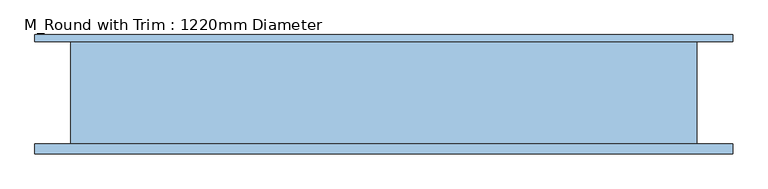
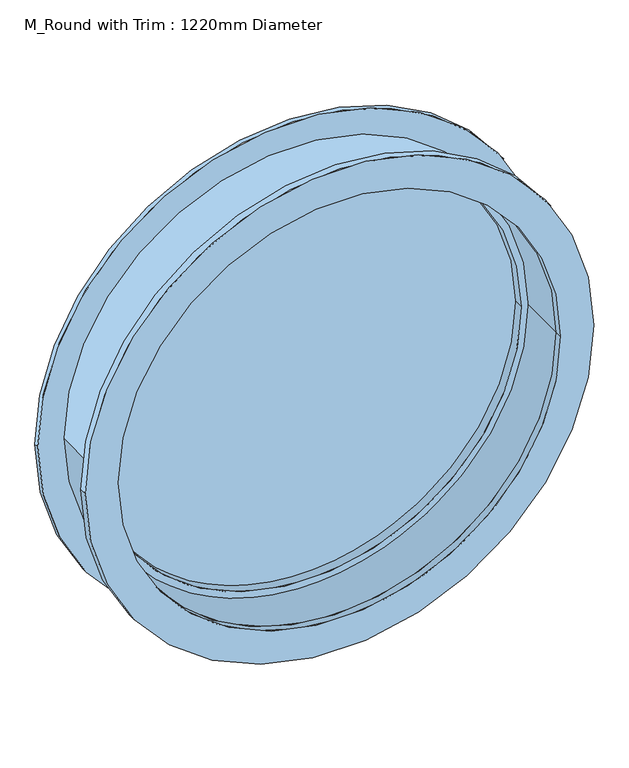
"""IFC4 building model written with IfcOpenShell, lengths in millimetres: window geometry, M_Round with Trim : 1220mm Diameter."""

from ifc_helpers import new_model, si_unit, point, frame, frame_2d, origin, place, context, project, spatial, circle_curve, trimmed, segment, composite_curve, outline, extrude, source, transform, mapped, element, save


def m_round_with_trim_1220mm_diameter_c0851e44(model_context):
    return source(origin(), model_context, "Body", "SweptSolid", [
        extrude(outline(composite_curve([segment(trimmed(circle_curve(frame_2d((1220.0, 152.8)), 679.95), [point((1220.0, -527.15))], [point((1220.0, 832.75))], False, "CARTESIAN"), True, "CONTINUOUS"), segment(trimmed(circle_curve(frame_2d((1220.0, 152.8)), 679.95), [point((1220.0, 832.75))], [point((1220.0, -527.15))], False, "CARTESIAN"), True, "CONTINUOUS")], self_intersect=False), holes=[composite_curve([segment(trimmed(circle_curve(frame_2d((1220.0, 152.8)), 590.95), [point((1220.0, -438.15))], [point((1220.0, 743.75))], True, "CARTESIAN"), True, "CONTINUOUS"), segment(trimmed(circle_curve(frame_2d((1220.0, 152.8)), 590.95), [point((1220.0, 743.75))], [point((1220.0, -438.15))], True, "CARTESIAN"), True, "CONTINUOUS")], self_intersect=False)]), frame((0.0, -119.0, 0.0), z_axis=(0.0, 1.0, 0.0), x_axis=(0.0, 0.0, 1.0)), (0.0, 0.0, 1.0), 19.0),
        extrude(outline(composite_curve([segment(trimmed(circle_curve(frame_2d((1220.0, 152.8)), 679.95), [point((1220.0, -527.15))], [point((1220.0, 832.75))], False, "CARTESIAN"), True, "CONTINUOUS"), segment(trimmed(circle_curve(frame_2d((1220.0, 152.8)), 679.95), [point((1220.0, 832.75))], [point((1220.0, -527.15))], False, "CARTESIAN"), True, "CONTINUOUS")], self_intersect=False), holes=[composite_curve([segment(trimmed(circle_curve(frame_2d((1220.0, 152.8)), 590.95), [point((1220.0, -438.15))], [point((1220.0, 743.75))], True, "CARTESIAN"), True, "CONTINUOUS"), segment(trimmed(circle_curve(frame_2d((1220.0, 152.8)), 590.95), [point((1220.0, 743.75))], [point((1220.0, -438.15))], True, "CARTESIAN"), True, "CONTINUOUS")], self_intersect=False)]), frame((0.0, 100.0, 0.0), z_axis=(0.0, 1.0, 0.0), x_axis=(0.0, 0.0, 1.0)), (0.0, 0.0, 1.0), 13.0),
        extrude(outline(composite_curve([segment(trimmed(circle_curve(frame_2d((1220.0, 152.8)), 610.0), [point((1220.0, -457.2))], [point((1220.0, 762.8))], False, "CARTESIAN"), True, "CONTINUOUS"), segment(trimmed(circle_curve(frame_2d((1220.0, 152.8)), 610.0), [point((1220.0, 762.8))], [point((1220.0, -457.2))], False, "CARTESIAN"), True, "CONTINUOUS")], self_intersect=False), holes=[composite_curve([segment(trimmed(circle_curve(frame_2d((1220.0, 152.8)), 590.95), [point((1220.0, -438.15))], [point((1220.0, 743.75))], True, "CARTESIAN"), True, "CONTINUOUS"), segment(trimmed(circle_curve(frame_2d((1220.0, 152.8)), 590.95), [point((1220.0, 743.75))], [point((1220.0, -438.15))], True, "CARTESIAN"), True, "CONTINUOUS")], self_intersect=False)]), frame((0.0, -100.0, 0.0), z_axis=(0.0, 1.0, 0.0), x_axis=(0.0, 0.0, 1.0)), (0.0, 0.0, 1.0), 200.0),
        extrude(outline(composite_curve([segment(trimmed(circle_curve(frame_2d((1220.0, 152.8)), 590.95), [point((1220.0, -438.15))], [point((1220.0, 743.75))], False, "CARTESIAN"), True, "CONTINUOUS"), segment(trimmed(circle_curve(frame_2d((1220.0, 152.8)), 590.95), [point((1220.0, 743.75))], [point((1220.0, -438.15))], False, "CARTESIAN"), True, "CONTINUOUS")], self_intersect=False), holes=[composite_curve([segment(trimmed(circle_curve(frame_2d((1220.0, 152.8)), 571.9), [point((1220.0, -419.1))], [point((1220.0, 724.7))], True, "CARTESIAN"), True, "CONTINUOUS"), segment(trimmed(circle_curve(frame_2d((1220.0, 152.8)), 571.9), [point((1220.0, 724.7))], [point((1220.0, -419.1))], True, "CARTESIAN"), True, "CONTINUOUS")], self_intersect=False)]), frame((0.0, 30.2, 0.0), z_axis=(0.0, 1.0, 0.0), x_axis=(0.0, 0.0, 1.0)), (0.0, 0.0, 1.0), 50.8),
        extrude(outline(composite_curve([segment(trimmed(circle_curve(frame_2d((1220.0, 152.8)), 571.9), [point((1220.0, -419.1))], [point((1220.0, 724.7))], False, "CARTESIAN"), True, "CONTINUOUS"), segment(trimmed(circle_curve(frame_2d((1220.0, 152.8)), 571.9), [point((1220.0, 724.7))], [point((1220.0, -419.1))], False, "CARTESIAN"), True, "CONTINUOUS")], self_intersect=False)), frame((0.0, 55.6, 0.0), z_axis=(0.0, 1.0, 0.0), x_axis=(0.0, 0.0, 1.0)), (0.0, 0.0, 1.0), 12.7),
    ])


if __name__ == "__main__":
    model = new_model("IFC4")
    model_context = context("Model", 3, world=origin())
    ifc_project = project(units=[si_unit("LENGTHUNIT", "METRE", prefix="MILLI")], contexts=[model_context])
    site = spatial("IfcSite", under=ifc_project)
    building = spatial("IfcBuilding", under=site)
    placement = place(None, origin())
    m_round_with_trim_1220mm_diameter_shape = m_round_with_trim_1220mm_diameter_c0851e44(model_context)
    element("IfcWindow", 1, ObjectType="M_Round with Trim : 1220mm Diameter", at=placement, inside=building, context=model_context, shape_type="MappedRepresentation", body=[
        mapped(m_round_with_trim_1220mm_diameter_shape, transform((0.0, 0.0, 0.0), x_axis=(1.0, 0.0, 0.0), y_axis=(0.0, 1.0, 0.0), z_axis=(0.0, 0.0, 1.0))),
    ])
    save(model, "model.ifc")
